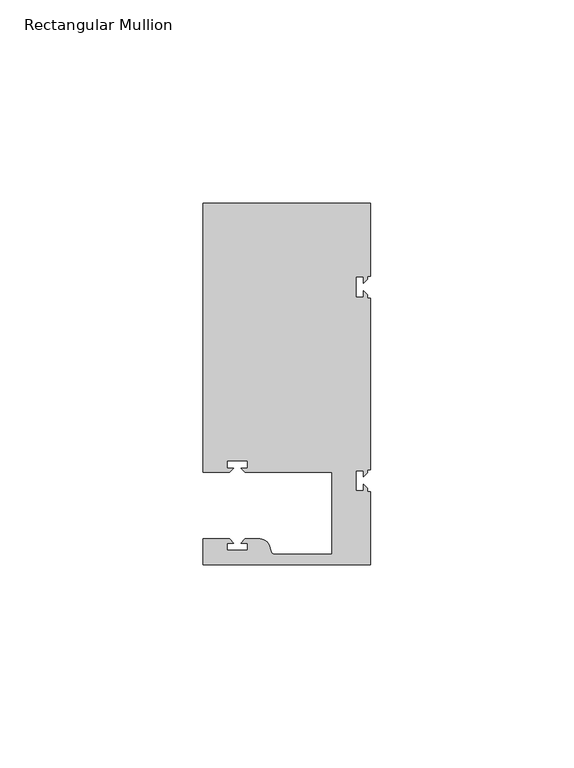
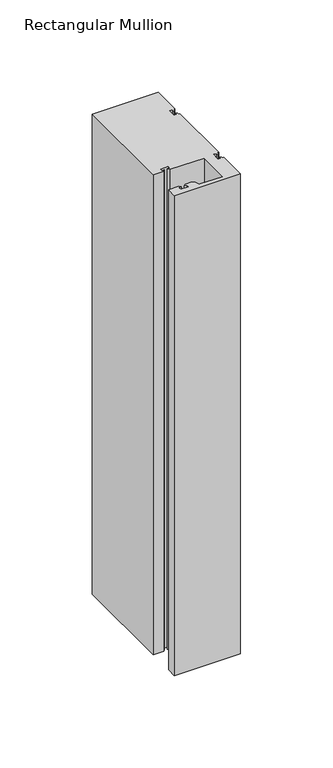
"""IFC4 building model written with IfcOpenShell, lengths in millimetres: member geometry, Rectangular Mullion."""

from ifc_helpers import new_model, si_unit, point, frame, frame_2d, origin, place, context, project, spatial, polyline, circle_curve, trimmed, segment, composite_curve, outline, extrude, source, transform, mapped, element, save


def rectangular_mullion_c0049cff(model_context):
    return source(origin(), model_context, "Body", "SweptSolid", [
        extrude(outline(composite_curve([segment(polyline([(0.0, -44.45), (-41.2749977, -44.45), (-41.2749977, -38.1499897), (-34.8007531, -38.1499897), (-33.8007405, -39.1500023), (-35.3749778, -39.1500023), (-35.3749778, -40.9498819), (-30.3749831, -40.9498819), (-30.3749831, -39.1500023), (-31.949256, -39.1500023), (-30.9492503, -38.1499966), (-27.2637853, -38.1499966)]), True, "CONTINUOUS"), segment(trimmed(circle_curve(frame_2d((-27.2637853, -40.6499966)), 2.5), [point((-27.2637853, -38.1499966))], [point((-24.8489707, -40.002949))], False, "CARTESIAN"), True, "CONTINUOUS"), segment(polyline([(-24.8489707, -40.002949), (-24.5258588, -41.2088192)]), True, "CONTINUOUS"), segment(trimmed(circle_curve(frame_2d((-23.5599329, -40.9500001)), 1.0), [point((-24.5258588, -41.2088192))], [point((-23.5599329, -41.9500001))], True, "CARTESIAN"), True, "CONTINUOUS"), segment(polyline([(-23.5599329, -41.9500001), (-9.525, -41.95), (-9.525, -21.7499959), (-30.9492434, -21.7499959), (-31.949256, -20.7499834), (-30.3750186, -20.7499834), (-30.3750186, -18.949936), (-35.3750134, -18.949936), (-35.3750134, -20.7499834), (-33.8007405, -20.7499834), (-34.8007562, -21.749999), (-41.275, -21.749999), (-41.275, 44.45), (0.0, 44.45), (0.0, 26.5319902), (-0.79375, 26.5319902), (-0.79375, 25.7382757), (-1.7937657, 24.73826), (-1.7937657, 26.3124974), (-3.5938131, 26.3124974), (-3.5938131, 21.3125026), (-1.7937657, 21.3125026), (-1.7937657, 22.8867755), (-0.79375, 21.8867598), (-0.79375, 21.0930098), (0.0, 21.0930098), (0.0, -21.0930098), (-0.79375, -21.0930098), (-0.79375, -21.8867243), (-1.7937657, -22.88674), (-1.7937657, -21.3125026), (-3.5938131, -21.3125026), (-3.5938131, -26.3124974), (-1.7937657, -26.3124974), (-1.7937657, -24.7382245), (-0.79375, -25.7382402), (-0.79375, -26.5319902), (0.0, -26.5319902), (0.0, -44.45)]), True, "CONTINUOUS")], self_intersect=False)), frame((0.0, 0.0, -317.5), z_axis=(0.0, 0.0, 1.0), x_axis=(1.0, 0.0, 0.0)), (0.0, 0.0, 1.0), 317.5),
    ])


if __name__ == "__main__":
    model = new_model("IFC4")
    model_context = context("Model", 3, world=origin())
    ifc_project = project(units=[si_unit("LENGTHUNIT", "METRE", prefix="MILLI")], contexts=[model_context])
    site = spatial("IfcSite", under=ifc_project)
    building = spatial("IfcBuilding", under=site)
    placement = place(None, origin())
    rectangular_mullion_shape = rectangular_mullion_c0049cff(model_context)
    element("IfcMember", 1, ObjectType="Rectangular Mullion", at=placement, inside=building, context=model_context, shape_type="MappedRepresentation", body=[
        mapped(rectangular_mullion_shape, transform((0.0, 0.0, 0.0), x_axis=(1.0, 0.0, 0.0), y_axis=(0.0, 1.0, 0.0), z_axis=(0.0, 0.0, 1.0))),
    ])
    save(model, "model.ifc")
